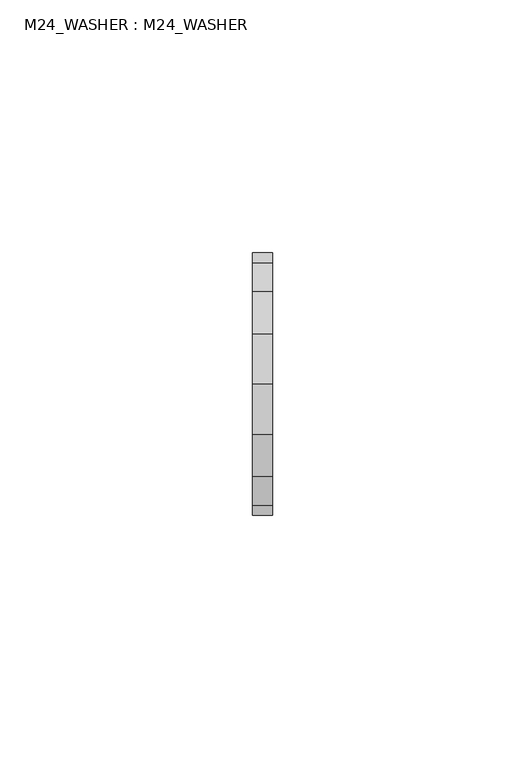
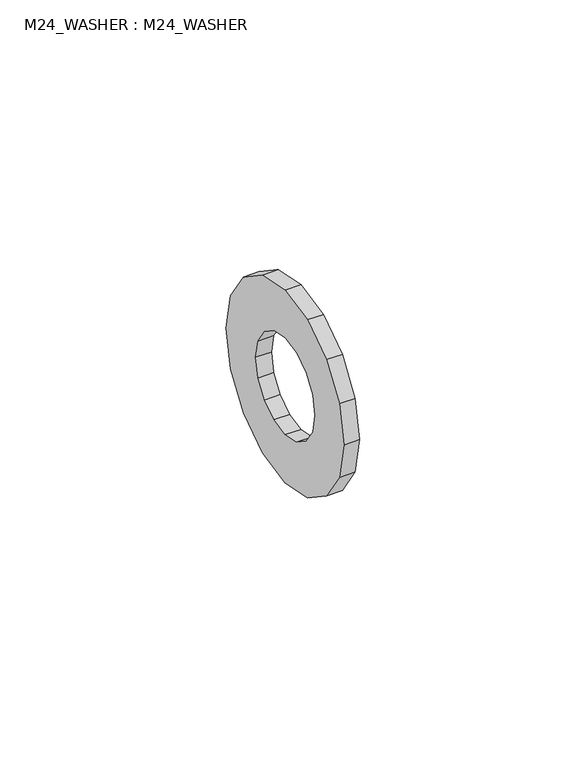
"""IFC4 building model written with IfcOpenShell, lengths in millimetres: beam geometry, M24_WASHER : M24_WASHER."""

import ifcopenshell
import ifcopenshell.guid

model = None  # the IFC model being written
_history = None  # IfcOwnerHistory: only IFC2X3 demands one
_inside = {}  # id of a spatial element -> (the spatial element, [elements in it])
_under = {}  # id of a project, library or spatial element -> (it, [spatial elements below it])
_declared = {}  # id of a project -> (the project, [libraries it declares])
_typed = {}  # id of a type object -> (the type object, [elements of that type])
_made_of = {}  # id of a material, layer set ... -> (it, [elements and type objects made of it])


def new_model(schema):
    """Start an empty IFC model of exactly this schema.

    Asked for "IFC4X3", IfcOpenShell would pick the latest addendum, in which some entities
    have other attributes; the version numbers below select the first issue.
    IFC2X3 requires an IfcOwnerHistory on every rooted entity: one is made here for all.
    """
    global model, _history
    if schema == "IFC4X3":
        model = ifcopenshell.file(schema_version=(4, 3, 0, 0))
    else:
        model = ifcopenshell.file(schema=schema)
    _inside.clear()
    _under.clear()
    _declared.clear()
    _typed.clear()
    _made_of.clear()
    _history = None
    if model.schema == "IFC2X3":
        org = make("IfcOrganization", Name="unknown")
        user = make(
            "IfcPersonAndOrganization",
            ThePerson=make("IfcPerson", FamilyName="unknown"),
            TheOrganization=org,
        )
        app = make(
            "IfcApplication",
            ApplicationDeveloper=org,
            Version="unknown",
            ApplicationFullName="unknown",
            ApplicationIdentifier="unknown",
        )
        _history = make(
            "IfcOwnerHistory",
            OwningUser=user,
            OwningApplication=app,
            ChangeAction="ADDED",
            CreationDate=0,
        )
    return model


def make(cls, **values):
    """One entity of the class cls with the attributes given. An attribute that is None is left unset."""
    return model.create_entity(
        cls, **{name: value for name, value in values.items() if value is not None}
    )


def rooted(cls, **values):
    """An entity with a GlobalId (a new one), such as an element, a storey or a relation."""
    return make(cls, GlobalId=ifcopenshell.guid.new(), OwnerHistory=_history, **values)


def si_unit(unit_type, name, prefix=None):
    """IfcSIUnit, for example si_unit("LENGTHUNIT", "METRE", prefix="MILLI")."""
    return make("IfcSIUnit", UnitType=unit_type, Prefix=prefix, Name=name)


def assignment(units):
    """IfcUnitAssignment: the units of a project."""
    return None if units is None else make("IfcUnitAssignment", Units=units)


def point(xyz):
    """IfcCartesianPoint."""
    return None if xyz is None else make("IfcCartesianPoint", Coordinates=xyz)


def direction(xyz):
    """IfcDirection."""
    return None if xyz is None else make("IfcDirection", DirectionRatios=xyz)


def frame(location, z_axis=None, x_axis=None):
    """IfcAxis2Placement3D, a coordinate frame: its origin and axes. An axis left out is left unset."""
    return make(
        "IfcAxis2Placement3D",
        Location=point(location),
        Axis=direction(z_axis),
        RefDirection=direction(x_axis),
    )


def origin():
    """The frame at (0, 0, 0) with its axes left unset."""
    return frame((0.0, 0.0, 0.0))


def place(relative_to, where):
    """IfcLocalPlacement: puts the frame where relative to a parent placement (None: the world)."""
    return make(
        "IfcLocalPlacement", PlacementRelTo=relative_to, RelativePlacement=where
    )


def context(
    kind, dimensions, precision=None, world=None, true_north=None, identifier=None
):
    """IfcGeometricRepresentationContext, for example the 3D "Model" context."""
    return make(
        "IfcGeometricRepresentationContext",
        ContextIdentifier=identifier,
        ContextType=kind,
        CoordinateSpaceDimension=dimensions,
        Precision=precision,
        WorldCoordinateSystem=world,
        TrueNorth=true_north,
    )


def project(units=None, contexts=None):
    """IfcProject with its units and contexts."""
    return rooted(
        "IfcProject",
        Name="project",
        RepresentationContexts=contexts,
        UnitsInContext=assignment(units),
    )


def spatial(cls, under=None, at=None, **own):
    """A site, building, storey or space (cls), placed at a placement, below another one or the project."""
    s = rooted(cls, ObjectPlacement=at, **own)
    if under is not None:
        _under.setdefault(under.id(), (under, []))[1].append(s)
    return s


def polyline(points):
    """IfcPolyline through the points."""
    return make("IfcPolyline", Points=[point(p) for p in points])


def outline(outer, holes=None, kind="AREA"):
    """IfcArbitraryClosedProfileDef: a profile drawn as a closed curve; with holes, ...WithVoids."""
    if holes is None:
        return make("IfcArbitraryClosedProfileDef", ProfileType=kind, OuterCurve=outer)
    return make(
        "IfcArbitraryProfileDefWithVoids",
        ProfileType=kind,
        OuterCurve=outer,
        InnerCurves=holes,
    )


def extrude(swept, where, along, depth):
    """IfcExtrudedAreaSolid: the profile swept, set in the frame where, extruded along a direction by depth."""
    return make(
        "IfcExtrudedAreaSolid",
        SweptArea=swept,
        Position=where,
        ExtrudedDirection=direction(along),
        Depth=depth,
    )


def shape(context_of_items, identifier, shape_type, items):
    """IfcShapeRepresentation: the items that make up one representation, for example the "Body"."""
    return make(
        "IfcShapeRepresentation",
        ContextOfItems=context_of_items,
        RepresentationIdentifier=identifier,
        RepresentationType=shape_type,
        Items=items,
    )


def source(mapping_origin, context_of_items, identifier, shape_type, items):
    """IfcRepresentationMap: a shape defined once, which mapped items show again and again."""
    return make(
        "IfcRepresentationMap",
        MappingOrigin=mapping_origin,
        MappedRepresentation=shape(context_of_items, identifier, shape_type, items),
    )


def transform(
    local_origin,
    x_axis=None,
    y_axis=None,
    z_axis=None,
    scale=None,
    scale2=None,
    scale3=None,
    uniform=True,
):
    """IfcCartesianTransformationOperator3D, or its non-uniform kind. x_axis, y_axis, z_axis: its Axis1, 2, 3."""
    if uniform:
        return make(
            "IfcCartesianTransformationOperator3D",
            Axis1=direction(x_axis),
            Axis2=direction(y_axis),
            LocalOrigin=point(local_origin),
            Scale=scale,
            Axis3=direction(z_axis),
        )
    return make(
        "IfcCartesianTransformationOperator3DnonUniform",
        Axis1=direction(x_axis),
        Axis2=direction(y_axis),
        LocalOrigin=point(local_origin),
        Scale=scale,
        Axis3=direction(z_axis),
        Scale2=scale2,
        Scale3=scale3,
    )


def mapped(mapping_source, mapping_target):
    """IfcMappedItem: shows the shape of a source again, moved by a transform."""
    return make(
        "IfcMappedItem", MappingSource=mapping_source, MappingTarget=mapping_target
    )


def made_of(thing, what):
    """Note that an element or type object is made of a material, layer set ...; save() writes the relation."""
    if what is not None:
        _made_of.setdefault(what.id(), (what, []))[1].append(thing)
    return thing


def element(
    cls,
    number,
    at=None,
    inside=None,
    cuts=None,
    type_object=None,
    material=None,
    context=None,
    identifier="Body",
    shape_type=None,
    held_by="IfcProductDefinitionShape",
    body=None,
    shapes=None,
    **own,
):
    """One element of the class cls, such as IfcWall. Its Tag is "e" and its number.

    at: its placement. inside: the storey or other place that contains it. cuts: it is an
    opening in that element (IfcRelVoidsElement). A single representation is given by context,
    identifier, shape_type and body (its items); several are given by shapes. held_by: the class
    of the entity that holds the representations. save() writes the other relations.
    """
    e = rooted(cls, Tag="e%d" % number, ObjectPlacement=at, **own)
    if body is not None:
        shapes = [shape(context, identifier, shape_type, body)]
    if shapes is not None:
        e.Representation = make(held_by, Representations=shapes)
    if inside is not None:
        _inside.setdefault(inside.id(), (inside, []))[1].append(e)
    if cuts is not None:
        rooted(
            "IfcRelVoidsElement", RelatingBuildingElement=cuts, RelatedOpeningElement=e
        )
    if type_object is not None:
        _typed.setdefault(type_object.id(), (type_object, []))[1].append(e)
    return made_of(e, material)


def aggregate(whole, parts):
    """IfcRelAggregates: a whole, such as a stair, and the parts it consists of."""
    return rooted("IfcRelAggregates", RelatingObject=whole, RelatedObjects=parts)


def save(model, path):
    """Write the relations noted so far, then the file.

    IfcRelAggregates (storeys below a building ...), IfcRelContainedInSpatialStructure (elements
    in a storey), IfcRelDefinesByType, IfcRelAssociatesMaterial and IfcRelDeclares: one each for
    every whole, place, type object, material and project.
    """
    for whole, parts in _under.values():
        aggregate(whole, parts)
    for where, things in _inside.values():
        rooted(
            "IfcRelContainedInSpatialStructure",
            RelatedElements=things,
            RelatingStructure=where,
        )
    for kind, things in _typed.values():
        rooted("IfcRelDefinesByType", RelatedObjects=things, RelatingType=kind)
    for what, things in _made_of.values():
        rooted("IfcRelAssociatesMaterial", RelatedObjects=things, RelatingMaterial=what)
    for by, libraries in _declared.values():
        rooted("IfcRelDeclares", RelatingContext=by, RelatedDefinitions=libraries)
    model.write(path)


def m24_washer_m24_washer_6272e72f(model_context):
    return source(origin(), model_context, "Body", "SweptSolid", [
        extrude(outline(polyline([(-18.3847763, 18.3847763), (-9.9497692, 24.0208678), (0.0, 26.0), (9.9497692, 24.0208678), (18.3847763, 18.3847763), (24.0208678, 9.9497692), (26.0, 0.0), (24.0208678, -9.9497692), (18.3847763, -18.3847763), (9.9497692, -24.0208678), (0.0, -26.0), (-9.9497692, -24.0208678), (-18.3847763, -18.3847763), (-24.0208678, -9.9497692), (-26.0, 0.0), (-24.0208678, 9.9497692), (-18.3847763, 18.3847763)]), holes=[polyline([(-9.1923882, -9.1923882), (-4.9748846, -12.0104339), (0.0, -13.0), (4.9748846, -12.0104339), (9.1923882, -9.1923882), (12.0104339, -4.9748846), (13.0, 0.0), (12.0104339, 4.9748846), (9.1923882, 9.1923882), (4.9748846, 12.0104339), (0.0, 13.0), (-4.9748846, 12.0104339), (-9.1923882, 9.1923882), (-12.0104339, 4.9748846), (-13.0, 0.0), (-12.0104339, -4.9748846), (-9.1923882, -9.1923882)])]), frame((0.0, 0.0, 0.0), z_axis=(1.0, 0.0, 0.0), x_axis=(0.0, 1.0, 0.0)), (0.0, 0.0, 1.0), 4.0),
    ])


if __name__ == "__main__":
    model = new_model("IFC4")
    model_context = context("Model", 3, world=origin())
    ifc_project = project(units=[si_unit("LENGTHUNIT", "METRE", prefix="MILLI")], contexts=[model_context])
    site = spatial("IfcSite", under=ifc_project)
    building = spatial("IfcBuilding", under=site)
    placement = place(None, origin())
    m24_washer_m24_washer_shape = m24_washer_m24_washer_6272e72f(model_context)
    element("IfcBeam", 1, ObjectType="M24_WASHER : M24_WASHER", at=placement, inside=building, context=model_context, shape_type="MappedRepresentation", body=[
        mapped(m24_washer_m24_washer_shape, transform((0.0, 0.0, 0.0), x_axis=(1.0, 0.0, 0.0), y_axis=(0.0, 1.0, 0.0), z_axis=(0.0, 0.0, 1.0))),
    ])
    save(model, "model.ifc")
